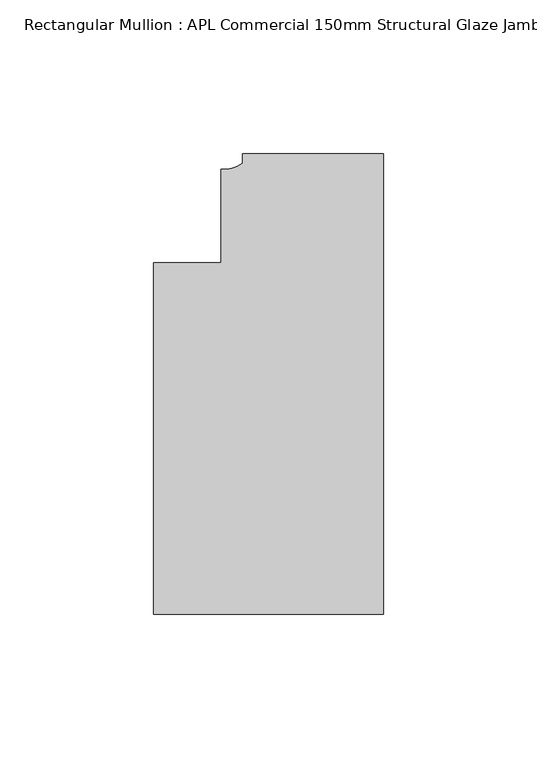
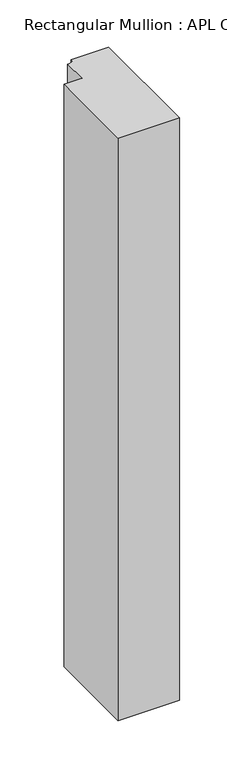
"""IFC4 building model written with IfcOpenShell, lengths in millimetres: member geometry, Rectangular Mullion : APL Commercial 150mm Structural Glaze Jamb Frame (left)."""

from ifc_helpers import new_model, si_unit, point, frame, frame_2d, origin, place, context, project, spatial, polyline, circle_curve, trimmed, segment, composite_curve, outline, extrude, source, transform, mapped, element, save


def rectangular_mullion_apl_commercial_150mm_structural_glaze_31f0894d(model_context):
    return source(origin(), model_context, "Body", "SweptSolid", [
        extrude(outline(composite_curve([segment(polyline([(0.0, 20.5), (0.0, -129.4999988), (-75.0, -129.4999988), (-75.0, -15.0000829), (-52.9999391, -15.0000829), (-52.9999391, 15.3797475)]), True, "CONTINUOUS"), segment(trimmed(circle_curve(frame_2d((-52.1098019, 25.7981812)), 10.4563907), [point((-52.9999391, 15.3797475))], [point((-45.9999842, 17.3125325))], True, "CARTESIAN"), True, "CONTINUOUS"), segment(polyline([(-45.9999842, 17.3125325), (-45.9999842, 20.5), (0.0, 20.5)]), True, "CONTINUOUS")], self_intersect=False)), frame((0.0, 0.0, -751.0229426), z_axis=(0.0, 0.0, 1.0), x_axis=(1.0, 0.0, 0.0)), (0.0, 0.0, 1.0), 751.0229426),
    ])


if __name__ == "__main__":
    model = new_model("IFC4")
    model_context = context("Model", 3, world=origin())
    ifc_project = project(units=[si_unit("LENGTHUNIT", "METRE", prefix="MILLI")], contexts=[model_context])
    site = spatial("IfcSite", under=ifc_project)
    building = spatial("IfcBuilding", under=site)
    placement = place(None, origin())
    rectangular_mullion_apl_commercial_150mm_structural_glaze_shape = rectangular_mullion_apl_commercial_150mm_structural_glaze_31f0894d(model_context)
    element("IfcMember", 1, ObjectType="Rectangular Mullion : APL Commercial 150mm Structural Glaze Jamb Frame (left)", at=placement, inside=building, context=model_context, shape_type="MappedRepresentation", body=[
        mapped(rectangular_mullion_apl_commercial_150mm_structural_glaze_shape, transform((0.0, 0.0, 0.0), x_axis=(1.0, 0.0, 0.0), y_axis=(0.0, 1.0, 0.0), z_axis=(0.0, 0.0, 1.0))),
    ])
    save(model, "model.ifc")
